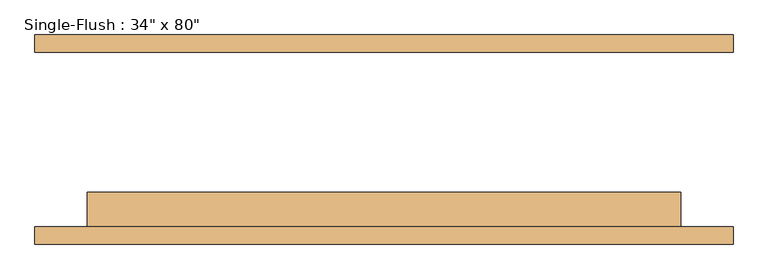
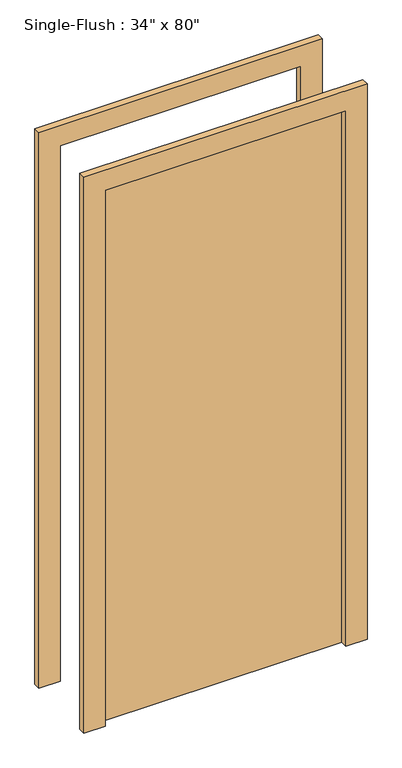
"""IFC4 building model written with IfcOpenShell, lengths in millimetres: door geometry."""

from ifc_helpers import new_model, si_unit, frame, origin, origin_with_axes, place, context, project, spatial, polyline, outline, extrude, source, transform, mapped, element, save


def door_22fefaad(model_context):
    return source(origin(), model_context, "Body", "SweptSolid", [
        extrude(outline(polyline([(2108.2, -508.0), (0.0, -508.0), (0.0, -431.8), (2032.0, -431.8), (2032.0, 431.8), (0.0, 431.8), (0.0, 508.0), (2108.2, 508.0), (2108.2, -508.0)])), frame((0.0, -152.4, 0.0), z_axis=(0.0, 1.0, 0.0), x_axis=(0.0, 0.0, 1.0)), (0.0, 0.0, 1.0), 25.4),
        extrude(outline(polyline([(2108.2, 508.0), (2108.2, -508.0), (0.0, -508.0), (0.0, -431.8), (2032.0, -431.8), (2032.0, 431.8), (0.0, 431.8), (0.0, 508.0), (2108.2, 508.0)])), frame((0.0, 127.0, 0.0), z_axis=(0.0, 1.0, 0.0), x_axis=(0.0, 0.0, 1.0)), (0.0, 0.0, 1.0), 25.4),
        extrude(outline(polyline([(431.8, -76.2), (431.8, -127.0), (-431.8, -127.0), (-431.8, -76.2), (431.8, -76.2)])), origin_with_axes(), (0.0, 0.0, 1.0), 2032.0),
    ])


if __name__ == "__main__":
    model = new_model("IFC4")
    model_context = context("Model", 3, world=origin())
    ifc_project = project(units=[si_unit("LENGTHUNIT", "METRE", prefix="MILLI")], contexts=[model_context])
    site = spatial("IfcSite", under=ifc_project)
    building = spatial("IfcBuilding", under=site)
    placement = place(None, origin())
    door_shape = door_22fefaad(model_context)
    element("IfcDoor", 1, ObjectType="Single-Flush : 34\" x 80\"", at=placement, inside=building, context=model_context, shape_type="MappedRepresentation", body=[
        mapped(door_shape, transform((0.0, 0.0, 0.0), x_axis=(1.0, 0.0, 0.0), y_axis=(0.0, 1.0, 0.0), z_axis=(0.0, 0.0, 1.0))),
    ])
    save(model, "model.ifc")
